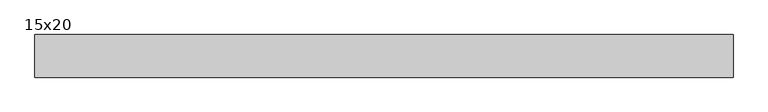
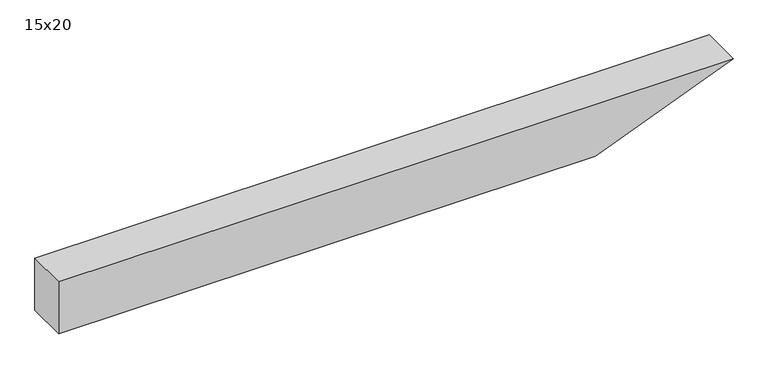
"""IFC4 building model written with IfcOpenShell, lengths in millimetres: beam geometry, 15x20."""

from ifc_helpers import new_model, si_unit, frame, origin, place, context, project, spatial, polyline, outline, extrude, source, transform, mapped, element, save


def beam_15x20_1007efcb(model_context):
    return source(origin(), model_context, "Body", "SweptSolid", [
        extrude(outline(polyline([(100.0, -1106.0), (-100.0, -1106.0), (-100.0, 849.8), (100.0, 1352.0), (100.0, -1106.0)])), frame((0.0, -75.0, 0.0), z_axis=(0.0, 1.0, 0.0), x_axis=(0.0, 0.0, 1.0)), (0.0, 0.0, 1.0), 150.0),
    ])


if __name__ == "__main__":
    model = new_model("IFC4")
    model_context = context("Model", 3, world=origin())
    ifc_project = project(units=[si_unit("LENGTHUNIT", "METRE", prefix="MILLI")], contexts=[model_context])
    site = spatial("IfcSite", under=ifc_project)
    building = spatial("IfcBuilding", under=site)
    placement = place(None, origin())
    beam_15x20_shape = beam_15x20_1007efcb(model_context)
    element("IfcBeam", 1, ObjectType="15x20", at=placement, inside=building, context=model_context, shape_type="MappedRepresentation", body=[
        mapped(beam_15x20_shape, transform((0.0, 0.0, 0.0), x_axis=(1.0, 0.0, 0.0), y_axis=(0.0, 1.0, 0.0), z_axis=(0.0, 0.0, 1.0))),
    ])
    save(model, "model.ifc")
